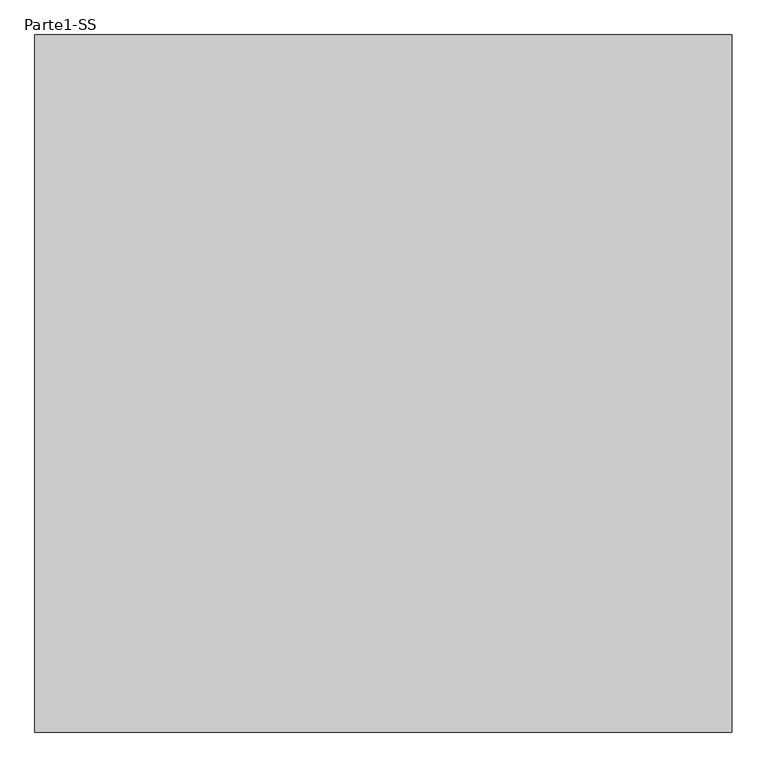
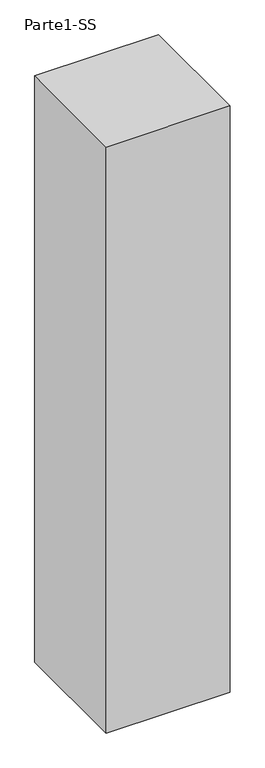
"""IFC4 building model written with IfcOpenShell, lengths in millimetres: proxy geometry, Parte1-SS."""

from ifc_helpers import new_model, si_unit, frame, origin, place, context, project, spatial, polyline, outline, extrude, source, transform, mapped, element, save


def parte1_ss_29fa00ed(model_context):
    return source(origin(), model_context, "Body", "SweptSolid", [
        extrude(outline(polyline([(4000.0, 4000.0), (4000.0, 0.0), (0.0, 0.0), (0.0, 4000.0), (4000.0, 4000.0)])), frame((0.0, 0.0, 10000.0), z_axis=(0.0, 0.0, 1.0), x_axis=(1.0, 0.0, 0.0)), (0.0, 0.0, 1.0), 20000.0),
    ])


if __name__ == "__main__":
    model = new_model("IFC4")
    model_context = context("Model", 3, world=origin())
    ifc_project = project(units=[si_unit("LENGTHUNIT", "METRE", prefix="MILLI")], contexts=[model_context])
    site = spatial("IfcSite", under=ifc_project)
    building = spatial("IfcBuilding", under=site)
    placement = place(None, origin())
    parte1_ss_shape = parte1_ss_29fa00ed(model_context)
    element("IfcBuildingElementProxy", 1, Name="Parte1-SS", ObjectType="Parte1-SS", at=placement, inside=building, context=model_context, shape_type="MappedRepresentation", body=[
        mapped(parte1_ss_shape, transform((0.0, 0.0, 0.0), x_axis=(1.0, 0.0, 0.0), y_axis=(0.0, 1.0, 0.0), z_axis=(0.0, 0.0, 1.0))),
    ])
    save(model, "model.ifc")
